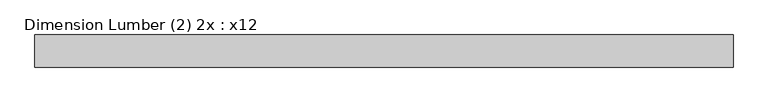
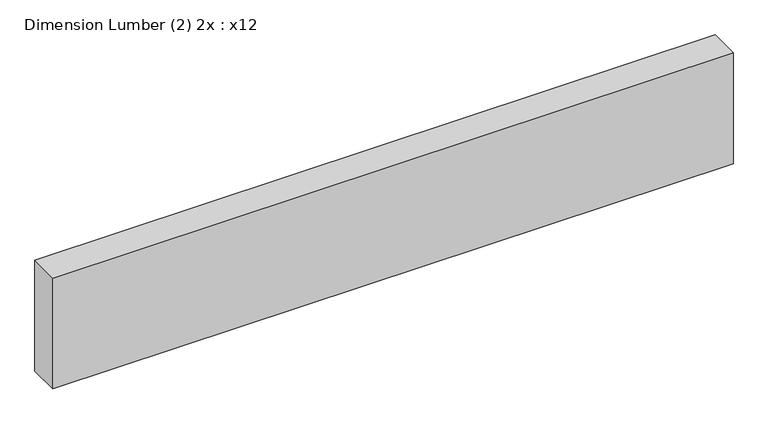
"""IFC4 building model written with IfcOpenShell, lengths in millimetres: beam geometry, Dimension Lumber (2) 2x : x12."""

from ifc_helpers import new_model, si_unit, frame, origin, place, context, project, spatial, polyline, outline, extrude, source, transform, mapped, element, save


def dimension_lumber_2_2x_x12_11df747f(model_context):
    return source(origin(), model_context, "Body", "SweptSolid", [
        extrude(outline(polyline([(809.5488, 38.1), (809.5488, -38.1), (-847.6488, -38.1), (-847.6488, 38.1), (809.5488, 38.1)])), frame((0.0, 0.0, -142.875), z_axis=(0.0, 0.0, 1.0), x_axis=(1.0, 0.0, 0.0)), (0.0, 0.0, 1.0), 285.75),
    ])


if __name__ == "__main__":
    model = new_model("IFC4")
    model_context = context("Model", 3, world=origin())
    ifc_project = project(units=[si_unit("LENGTHUNIT", "METRE", prefix="MILLI")], contexts=[model_context])
    site = spatial("IfcSite", under=ifc_project)
    building = spatial("IfcBuilding", under=site)
    placement = place(None, origin())
    dimension_lumber_2_2x_x12_shape = dimension_lumber_2_2x_x12_11df747f(model_context)
    element("IfcBeam", 1, ObjectType="Dimension Lumber (2) 2x : x12", at=placement, inside=building, context=model_context, shape_type="MappedRepresentation", body=[
        mapped(dimension_lumber_2_2x_x12_shape, transform((0.0, 0.0, 0.0), x_axis=(1.0, 0.0, 0.0), y_axis=(0.0, 1.0, 0.0), z_axis=(0.0, 0.0, 1.0))),
    ])
    save(model, "model.ifc")
